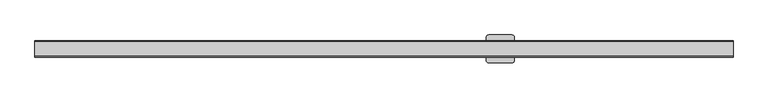
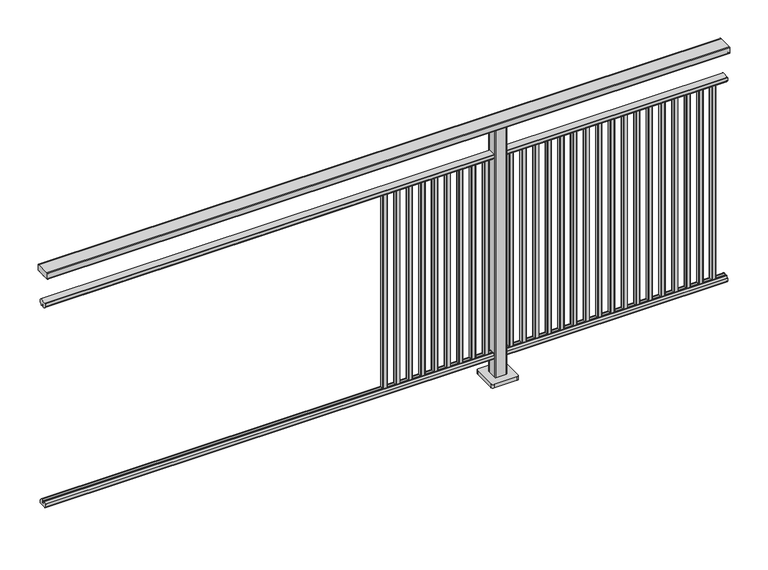
"""IFC4 building model written with IfcOpenShell, lengths in millimetres: railing geometry."""

from ifc_helpers import new_model, si_unit, point, frame, frame_2d, origin, origin_with_axes, place, context, project, spatial, polyline, circle_curve, trimmed, segment, composite_curve, outline, extrude, source, transform, mapped, element, save


def railing_3780677a(model_context):
    return source(origin(), model_context, "Body", "SweptSolid", [
        extrude(outline(composite_curve([segment(trimmed(circle_curve(frame_2d((9717.8460333, 1197.0)), 3.0), [point((9717.8460333, 1200.0))], [point((9720.8460333, 1197.0))], False, "CARTESIAN"), True, "CONTINUOUS"), segment(polyline([(9720.8460333, 1197.0), (9720.8460333, 1174.8)]), True, "CONTINUOUS"), segment(trimmed(circle_curve(frame_2d((9717.8460333, 1174.8)), 3.0), [point((9720.8460333, 1174.8))], [point((9717.8460333, 1171.8))], False, "CARTESIAN"), True, "CONTINUOUS"), segment(polyline([(9717.8460333, 1171.8), (9712.9961193, 1171.8)]), True, "CONTINUOUS"), segment(trimmed(circle_curve(frame_2d((9712.9961193, 1172.7286632)), 0.9286632), [point((9712.9961193, 1171.8))], [point((9712.0960471, 1172.5000033))], False, "CARTESIAN"), True, "CONTINUOUS"), segment(trimmed(circle_curve(frame_2d((9711.5960471, 1172.5000003)), 0.5), [point((9712.0960471, 1172.5000033))], [point((9711.5960471, 1172.0000003))], False, "CARTESIAN"), True, "CONTINUOUS"), segment(polyline([(9711.5960471, 1172.0000003), (9694.5751393, 1172.0000003)]), True, "CONTINUOUS"), segment(trimmed(circle_curve(frame_2d((9685.8508208, 1188.8785723)), 18.999998), [point((9694.5751393, 1172.0000003))], [point((9677.1265024, 1172.0000003))], False, "CARTESIAN"), True, "CONTINUOUS"), segment(polyline([(9677.1265024, 1172.0000003), (9660.0960436, 1172.0000003)]), True, "CONTINUOUS"), segment(trimmed(circle_curve(frame_2d((9660.0960436, 1172.5000003)), 0.5), [point((9660.0960436, 1172.0000003))], [point((9659.5960436, 1172.5000033))], False, "CARTESIAN"), True, "CONTINUOUS"), segment(trimmed(circle_curve(frame_2d((9658.6961402, 1172.7284461)), 0.9284461), [point((9659.5960436, 1172.5000033))], [point((9658.6961402, 1171.8))], False, "CARTESIAN"), True, "CONTINUOUS"), segment(polyline([(9658.6961402, 1171.8), (9653.8460333, 1171.8)]), True, "CONTINUOUS"), segment(trimmed(circle_curve(frame_2d((9653.8460333, 1174.8)), 3.0), [point((9653.8460333, 1171.8))], [point((9650.8460333, 1174.8))], False, "CARTESIAN"), True, "CONTINUOUS"), segment(polyline([(9650.8460333, 1174.8), (9650.8460333, 1197.0)]), True, "CONTINUOUS"), segment(trimmed(circle_curve(frame_2d((9653.8460333, 1197.0)), 3.0), [point((9650.8460333, 1197.0))], [point((9653.8460333, 1200.0))], False, "CARTESIAN"), True, "CONTINUOUS"), segment(polyline([(9653.8460333, 1200.0), (9717.8460333, 1200.0)]), True, "CONTINUOUS")], self_intersect=False)), frame((3691.3946925, 0.0, 0.0), z_axis=(1.0, 0.0, 0.0), x_axis=(0.0, 1.0, 0.0)), (0.0, 0.0, 1.0), 3000.0),
        extrude(outline(composite_curve([segment(polyline([(9701.5508136, 100.0), (9670.1507946, 100.0)]), True, "CONTINUOUS"), segment(trimmed(circle_curve(frame_2d((9670.1507946, 101.8)), 1.8), [point((9670.1507946, 100.0))], [point((9668.3507946, 101.8))], False, "CARTESIAN"), True, "CONTINUOUS"), segment(polyline([(9668.3507946, 101.8), (9668.3507946, 115.5269955)]), True, "CONTINUOUS"), segment(trimmed(circle_curve(frame_2d((9670.1507946, 115.5269955)), 1.8), [point((9668.3507946, 115.5269955))], [point((9668.7923399, 116.7079277))], False, "CARTESIAN"), True, "CONTINUOUS"), segment(polyline([(9668.7923399, 116.7079277), (9675.4626384, 124.3809322)]), True, "CONTINUOUS"), segment(trimmed(circle_curve(frame_2d((9676.8210931, 123.2)), 1.8), [point((9675.4626384, 124.3809322))], [point((9676.8210931, 125.0))], False, "CARTESIAN"), True, "CONTINUOUS"), segment(polyline([(9676.8210931, 125.0), (9680.5111113, 125.0), (9681.809143, 113.0), (9689.8924411, 113.0), (9691.1904978, 125.0), (9694.88054, 125.0)]), True, "CONTINUOUS"), segment(trimmed(circle_curve(frame_2d((9694.88054, 123.2)), 1.8), [point((9694.88054, 125.0))], [point((9696.2389969, 124.3809297))], False, "CARTESIAN"), True, "CONTINUOUS"), segment(polyline([(9696.2389969, 124.3809297), (9702.9092704, 116.7079252)]), True, "CONTINUOUS"), segment(trimmed(circle_curve(frame_2d((9701.5508136, 115.5269955)), 1.8), [point((9702.9092704, 116.7079252))], [point((9703.3508136, 115.5269955))], False, "CARTESIAN"), True, "CONTINUOUS"), segment(polyline([(9703.3508136, 115.5269955), (9703.3508136, 101.8)]), True, "CONTINUOUS"), segment(trimmed(circle_curve(frame_2d((9701.5508136, 101.8)), 1.8), [point((9703.3508136, 101.8))], [point((9701.5508136, 100.0))], False, "CARTESIAN"), True, "CONTINUOUS")], self_intersect=False)), frame((3691.3946925, 0.0, 0.0), z_axis=(1.0, 0.0, 0.0), x_axis=(0.0, 1.0, 0.0)), (0.0, 0.0, 1.0), 3000.0),
        extrude(outline(composite_curve([segment(polyline([(9670.1507946, 1050.0), (9701.5508136, 1050.0)]), True, "CONTINUOUS"), segment(trimmed(circle_curve(frame_2d((9701.5508136, 1048.2)), 1.8), [point((9701.5508136, 1050.0))], [point((9703.3508136, 1048.2))], False, "CARTESIAN"), True, "CONTINUOUS"), segment(polyline([(9703.3508136, 1048.2), (9703.3508136, 1034.4730045)]), True, "CONTINUOUS"), segment(trimmed(circle_curve(frame_2d((9701.5508136, 1034.4730045)), 1.8), [point((9703.3508136, 1034.4730045))], [point((9702.9092704, 1033.2920748))], False, "CARTESIAN"), True, "CONTINUOUS"), segment(polyline([(9702.9092704, 1033.2920748), (9696.2389969, 1025.6190703)]), True, "CONTINUOUS"), segment(trimmed(circle_curve(frame_2d((9694.88054, 1026.8)), 1.8), [point((9696.2389969, 1025.6190703))], [point((9694.88054, 1025.0))], False, "CARTESIAN"), True, "CONTINUOUS"), segment(polyline([(9694.88054, 1025.0), (9691.1904978, 1025.0), (9689.8924411, 1037.0), (9681.809143, 1037.0), (9680.5111113, 1025.0), (9676.8210931, 1025.0)]), True, "CONTINUOUS"), segment(trimmed(circle_curve(frame_2d((9676.8210931, 1026.8)), 1.8), [point((9676.8210931, 1025.0))], [point((9675.4626384, 1025.6190678))], False, "CARTESIAN"), True, "CONTINUOUS"), segment(polyline([(9675.4626384, 1025.6190678), (9668.7923399, 1033.2920723)]), True, "CONTINUOUS"), segment(trimmed(circle_curve(frame_2d((9670.1507946, 1034.4730045)), 1.8), [point((9668.7923399, 1033.2920723))], [point((9668.3507946, 1034.4730045))], False, "CARTESIAN"), True, "CONTINUOUS"), segment(polyline([(9668.3507946, 1034.4730045), (9668.3507946, 1048.2)]), True, "CONTINUOUS"), segment(trimmed(circle_curve(frame_2d((9670.1507946, 1048.2)), 1.8), [point((9668.3507946, 1048.2))], [point((9670.1507946, 1050.0))], False, "CARTESIAN"), True, "CONTINUOUS")], self_intersect=False)), frame((3691.3946925, 0.0, 0.0), z_axis=(1.0, 0.0, 0.0), x_axis=(0.0, 1.0, 0.0)), (0.0, 0.0, 1.0), 3000.0),
        extrude(outline(composite_curve([segment(trimmed(circle_curve(frame_2d((6628.2391355, 9693.4508236)), 1.4), [point((6626.8391355, 9693.4508236))], [point((6628.2391355, 9694.8508236))], False, "CARTESIAN"), True, "CONTINUOUS"), segment(polyline([(6628.2391355, 9694.8508236), (6643.4391385, 9694.8508236)]), True, "CONTINUOUS"), segment(trimmed(circle_curve(frame_2d((6643.4391385, 9693.4508236)), 1.4), [point((6643.4391385, 9694.8508236))], [point((6644.8391385, 9693.4508236))], False, "CARTESIAN"), True, "CONTINUOUS"), segment(polyline([(6644.8391385, 9693.4508236), (6644.8391385, 9678.2507846)]), True, "CONTINUOUS"), segment(trimmed(circle_curve(frame_2d((6643.4391385, 9678.2507846)), 1.4), [point((6644.8391385, 9678.2507846))], [point((6643.4391385, 9676.8507846))], False, "CARTESIAN"), True, "CONTINUOUS"), segment(polyline([(6643.4391385, 9676.8507846), (6628.2391355, 9676.8507846)]), True, "CONTINUOUS"), segment(trimmed(circle_curve(frame_2d((6628.2391355, 9678.2507846)), 1.4), [point((6628.2391355, 9676.8507846))], [point((6626.8391355, 9678.2507846))], False, "CARTESIAN"), True, "CONTINUOUS"), segment(polyline([(6626.8391355, 9678.2507846), (6626.8391355, 9693.4508236)]), True, "CONTINUOUS")], self_intersect=False)), frame((0.0, 0.0, 125.0), z_axis=(0.0, 0.0, 1.0), x_axis=(1.0, 0.0, 0.0)), (0.0, 0.0, 1.0), 900.0),
        extrude(outline(composite_curve([segment(trimmed(circle_curve(frame_2d((6572.6835799, 9693.4508236)), 1.4), [point((6571.2835799, 9693.4508236))], [point((6572.6835799, 9694.8508236))], False, "CARTESIAN"), True, "CONTINUOUS"), segment(polyline([(6572.6835799, 9694.8508236), (6587.8835829, 9694.8508236)]), True, "CONTINUOUS"), segment(trimmed(circle_curve(frame_2d((6587.8835829, 9693.4508236)), 1.4), [point((6587.8835829, 9694.8508236))], [point((6589.2835829, 9693.4508236))], False, "CARTESIAN"), True, "CONTINUOUS"), segment(polyline([(6589.2835829, 9693.4508236), (6589.2835829, 9678.2507846)]), True, "CONTINUOUS"), segment(trimmed(circle_curve(frame_2d((6587.8835829, 9678.2507846)), 1.4), [point((6589.2835829, 9678.2507846))], [point((6587.8835829, 9676.8507846))], False, "CARTESIAN"), True, "CONTINUOUS"), segment(polyline([(6587.8835829, 9676.8507846), (6572.6835799, 9676.8507846)]), True, "CONTINUOUS"), segment(trimmed(circle_curve(frame_2d((6572.6835799, 9678.2507846)), 1.4), [point((6572.6835799, 9676.8507846))], [point((6571.2835799, 9678.2507846))], False, "CARTESIAN"), True, "CONTINUOUS"), segment(polyline([(6571.2835799, 9678.2507846), (6571.2835799, 9693.4508236)]), True, "CONTINUOUS")], self_intersect=False)), frame((0.0, 0.0, 125.0), z_axis=(0.0, 0.0, 1.0), x_axis=(1.0, 0.0, 0.0)), (0.0, 0.0, 1.0), 900.0),
        extrude(outline(composite_curve([segment(trimmed(circle_curve(frame_2d((6517.1280244, 9693.4508236)), 1.4), [point((6515.7280244, 9693.4508236))], [point((6517.1280244, 9694.8508236))], False, "CARTESIAN"), True, "CONTINUOUS"), segment(polyline([(6517.1280244, 9694.8508236), (6532.3280274, 9694.8508236)]), True, "CONTINUOUS"), segment(trimmed(circle_curve(frame_2d((6532.3280274, 9693.4508236)), 1.4), [point((6532.3280274, 9694.8508236))], [point((6533.7280274, 9693.4508236))], False, "CARTESIAN"), True, "CONTINUOUS"), segment(polyline([(6533.7280274, 9693.4508236), (6533.7280274, 9678.2507846)]), True, "CONTINUOUS"), segment(trimmed(circle_curve(frame_2d((6532.3280274, 9678.2507846)), 1.4), [point((6533.7280274, 9678.2507846))], [point((6532.3280274, 9676.8507846))], False, "CARTESIAN"), True, "CONTINUOUS"), segment(polyline([(6532.3280274, 9676.8507846), (6517.1280244, 9676.8507846)]), True, "CONTINUOUS"), segment(trimmed(circle_curve(frame_2d((6517.1280244, 9678.2507846)), 1.4), [point((6517.1280244, 9676.8507846))], [point((6515.7280244, 9678.2507846))], False, "CARTESIAN"), True, "CONTINUOUS"), segment(polyline([(6515.7280244, 9678.2507846), (6515.7280244, 9693.4508236)]), True, "CONTINUOUS")], self_intersect=False)), frame((0.0, 0.0, 125.0), z_axis=(0.0, 0.0, 1.0), x_axis=(1.0, 0.0, 0.0)), (0.0, 0.0, 1.0), 900.0),
        extrude(outline(composite_curve([segment(trimmed(circle_curve(frame_2d((6461.5724688, 9693.4508236)), 1.4), [point((6460.1724688, 9693.4508236))], [point((6461.5724688, 9694.8508236))], False, "CARTESIAN"), True, "CONTINUOUS"), segment(polyline([(6461.5724688, 9694.8508236), (6476.7724718, 9694.8508236)]), True, "CONTINUOUS"), segment(trimmed(circle_curve(frame_2d((6476.7724718, 9693.4508236)), 1.4), [point((6476.7724718, 9694.8508236))], [point((6478.1724718, 9693.4508236))], False, "CARTESIAN"), True, "CONTINUOUS"), segment(polyline([(6478.1724718, 9693.4508236), (6478.1724718, 9678.2507846)]), True, "CONTINUOUS"), segment(trimmed(circle_curve(frame_2d((6476.7724718, 9678.2507846)), 1.4), [point((6478.1724718, 9678.2507846))], [point((6476.7724718, 9676.8507846))], False, "CARTESIAN"), True, "CONTINUOUS"), segment(polyline([(6476.7724718, 9676.8507846), (6461.5724688, 9676.8507846)]), True, "CONTINUOUS"), segment(trimmed(circle_curve(frame_2d((6461.5724688, 9678.2507846)), 1.4), [point((6461.5724688, 9676.8507846))], [point((6460.1724688, 9678.2507846))], False, "CARTESIAN"), True, "CONTINUOUS"), segment(polyline([(6460.1724688, 9678.2507846), (6460.1724688, 9693.4508236)]), True, "CONTINUOUS")], self_intersect=False)), frame((0.0, 0.0, 125.0), z_axis=(0.0, 0.0, 1.0), x_axis=(1.0, 0.0, 0.0)), (0.0, 0.0, 1.0), 900.0),
        extrude(outline(composite_curve([segment(trimmed(circle_curve(frame_2d((6406.0169133, 9693.4508236)), 1.4), [point((6404.6169133, 9693.4508236))], [point((6406.0169133, 9694.8508236))], False, "CARTESIAN"), True, "CONTINUOUS"), segment(polyline([(6406.0169133, 9694.8508236), (6421.2169163, 9694.8508236)]), True, "CONTINUOUS"), segment(trimmed(circle_curve(frame_2d((6421.2169163, 9693.4508236)), 1.4), [point((6421.2169163, 9694.8508236))], [point((6422.6169163, 9693.4508236))], False, "CARTESIAN"), True, "CONTINUOUS"), segment(polyline([(6422.6169163, 9693.4508236), (6422.6169163, 9678.2507846)]), True, "CONTINUOUS"), segment(trimmed(circle_curve(frame_2d((6421.2169163, 9678.2507846)), 1.4), [point((6422.6169163, 9678.2507846))], [point((6421.2169163, 9676.8507846))], False, "CARTESIAN"), True, "CONTINUOUS"), segment(polyline([(6421.2169163, 9676.8507846), (6406.0169133, 9676.8507846)]), True, "CONTINUOUS"), segment(trimmed(circle_curve(frame_2d((6406.0169133, 9678.2507846)), 1.4), [point((6406.0169133, 9676.8507846))], [point((6404.6169133, 9678.2507846))], False, "CARTESIAN"), True, "CONTINUOUS"), segment(polyline([(6404.6169133, 9678.2507846), (6404.6169133, 9693.4508236)]), True, "CONTINUOUS")], self_intersect=False)), frame((0.0, 0.0, 125.0), z_axis=(0.0, 0.0, 1.0), x_axis=(1.0, 0.0, 0.0)), (0.0, 0.0, 1.0), 900.0),
        extrude(outline(composite_curve([segment(trimmed(circle_curve(frame_2d((6350.4613577, 9693.4508236)), 1.4), [point((6349.0613577, 9693.4508236))], [point((6350.4613577, 9694.8508236))], False, "CARTESIAN"), True, "CONTINUOUS"), segment(polyline([(6350.4613577, 9694.8508236), (6365.6613607, 9694.8508236)]), True, "CONTINUOUS"), segment(trimmed(circle_curve(frame_2d((6365.6613607, 9693.4508236)), 1.4), [point((6365.6613607, 9694.8508236))], [point((6367.0613607, 9693.4508236))], False, "CARTESIAN"), True, "CONTINUOUS"), segment(polyline([(6367.0613607, 9693.4508236), (6367.0613607, 9678.2507846)]), True, "CONTINUOUS"), segment(trimmed(circle_curve(frame_2d((6365.6613607, 9678.2507846)), 1.4), [point((6367.0613607, 9678.2507846))], [point((6365.6613607, 9676.8507846))], False, "CARTESIAN"), True, "CONTINUOUS"), segment(polyline([(6365.6613607, 9676.8507846), (6350.4613577, 9676.8507846)]), True, "CONTINUOUS"), segment(trimmed(circle_curve(frame_2d((6350.4613577, 9678.2507846)), 1.4), [point((6350.4613577, 9676.8507846))], [point((6349.0613577, 9678.2507846))], False, "CARTESIAN"), True, "CONTINUOUS"), segment(polyline([(6349.0613577, 9678.2507846), (6349.0613577, 9693.4508236)]), True, "CONTINUOUS")], self_intersect=False)), frame((0.0, 0.0, 125.0), z_axis=(0.0, 0.0, 1.0), x_axis=(1.0, 0.0, 0.0)), (0.0, 0.0, 1.0), 900.0),
        extrude(outline(composite_curve([segment(trimmed(circle_curve(frame_2d((6294.9058021, 9693.4508236)), 1.4), [point((6293.5058021, 9693.4508236))], [point((6294.9058021, 9694.8508236))], False, "CARTESIAN"), True, "CONTINUOUS"), segment(polyline([(6294.9058021, 9694.8508236), (6310.1058051, 9694.8508236)]), True, "CONTINUOUS"), segment(trimmed(circle_curve(frame_2d((6310.1058051, 9693.4508236)), 1.4), [point((6310.1058051, 9694.8508236))], [point((6311.5058051, 9693.4508236))], False, "CARTESIAN"), True, "CONTINUOUS"), segment(polyline([(6311.5058051, 9693.4508236), (6311.5058051, 9678.2507846)]), True, "CONTINUOUS"), segment(trimmed(circle_curve(frame_2d((6310.1058051, 9678.2507846)), 1.4), [point((6311.5058051, 9678.2507846))], [point((6310.1058051, 9676.8507846))], False, "CARTESIAN"), True, "CONTINUOUS"), segment(polyline([(6310.1058051, 9676.8507846), (6294.9058021, 9676.8507846)]), True, "CONTINUOUS"), segment(trimmed(circle_curve(frame_2d((6294.9058021, 9678.2507846)), 1.4), [point((6294.9058021, 9676.8507846))], [point((6293.5058021, 9678.2507846))], False, "CARTESIAN"), True, "CONTINUOUS"), segment(polyline([(6293.5058021, 9678.2507846), (6293.5058021, 9693.4508236)]), True, "CONTINUOUS")], self_intersect=False)), frame((0.0, 0.0, 125.0), z_axis=(0.0, 0.0, 1.0), x_axis=(1.0, 0.0, 0.0)), (0.0, 0.0, 1.0), 900.0),
        extrude(outline(composite_curve([segment(trimmed(circle_curve(frame_2d((6239.3502466, 9693.4508236)), 1.4), [point((6237.9502466, 9693.4508236))], [point((6239.3502466, 9694.8508236))], False, "CARTESIAN"), True, "CONTINUOUS"), segment(polyline([(6239.3502466, 9694.8508236), (6254.5502496, 9694.8508236)]), True, "CONTINUOUS"), segment(trimmed(circle_curve(frame_2d((6254.5502496, 9693.4508236)), 1.4), [point((6254.5502496, 9694.8508236))], [point((6255.9502496, 9693.4508236))], False, "CARTESIAN"), True, "CONTINUOUS"), segment(polyline([(6255.9502496, 9693.4508236), (6255.9502496, 9678.2507846)]), True, "CONTINUOUS"), segment(trimmed(circle_curve(frame_2d((6254.5502496, 9678.2507846)), 1.4), [point((6255.9502496, 9678.2507846))], [point((6254.5502496, 9676.8507846))], False, "CARTESIAN"), True, "CONTINUOUS"), segment(polyline([(6254.5502496, 9676.8507846), (6239.3502466, 9676.8507846)]), True, "CONTINUOUS"), segment(trimmed(circle_curve(frame_2d((6239.3502466, 9678.2507846)), 1.4), [point((6239.3502466, 9676.8507846))], [point((6237.9502466, 9678.2507846))], False, "CARTESIAN"), True, "CONTINUOUS"), segment(polyline([(6237.9502466, 9678.2507846), (6237.9502466, 9693.4508236)]), True, "CONTINUOUS")], self_intersect=False)), frame((0.0, 0.0, 125.0), z_axis=(0.0, 0.0, 1.0), x_axis=(1.0, 0.0, 0.0)), (0.0, 0.0, 1.0), 900.0),
        extrude(outline(composite_curve([segment(trimmed(circle_curve(frame_2d((6183.794691, 9693.4508236)), 1.4), [point((6182.394691, 9693.4508236))], [point((6183.794691, 9694.8508236))], False, "CARTESIAN"), True, "CONTINUOUS"), segment(polyline([(6183.794691, 9694.8508236), (6198.994694, 9694.8508236)]), True, "CONTINUOUS"), segment(trimmed(circle_curve(frame_2d((6198.994694, 9693.4508236)), 1.4), [point((6198.994694, 9694.8508236))], [point((6200.394694, 9693.4508236))], False, "CARTESIAN"), True, "CONTINUOUS"), segment(polyline([(6200.394694, 9693.4508236), (6200.394694, 9678.2507846)]), True, "CONTINUOUS"), segment(trimmed(circle_curve(frame_2d((6198.994694, 9678.2507846)), 1.4), [point((6200.394694, 9678.2507846))], [point((6198.994694, 9676.8507846))], False, "CARTESIAN"), True, "CONTINUOUS"), segment(polyline([(6198.994694, 9676.8507846), (6183.794691, 9676.8507846)]), True, "CONTINUOUS"), segment(trimmed(circle_curve(frame_2d((6183.794691, 9678.2507846)), 1.4), [point((6183.794691, 9676.8507846))], [point((6182.394691, 9678.2507846))], False, "CARTESIAN"), True, "CONTINUOUS"), segment(polyline([(6182.394691, 9678.2507846), (6182.394691, 9693.4508236)]), True, "CONTINUOUS")], self_intersect=False)), frame((0.0, 0.0, 125.0), z_axis=(0.0, 0.0, 1.0), x_axis=(1.0, 0.0, 0.0)), (0.0, 0.0, 1.0), 900.0),
        extrude(outline(composite_curve([segment(trimmed(circle_curve(frame_2d((6128.2391355, 9693.4508236)), 1.4), [point((6126.8391355, 9693.4508236))], [point((6128.2391355, 9694.8508236))], False, "CARTESIAN"), True, "CONTINUOUS"), segment(polyline([(6128.2391355, 9694.8508236), (6143.4391385, 9694.8508236)]), True, "CONTINUOUS"), segment(trimmed(circle_curve(frame_2d((6143.4391385, 9693.4508236)), 1.4), [point((6143.4391385, 9694.8508236))], [point((6144.8391385, 9693.4508236))], False, "CARTESIAN"), True, "CONTINUOUS"), segment(polyline([(6144.8391385, 9693.4508236), (6144.8391385, 9678.2507846)]), True, "CONTINUOUS"), segment(trimmed(circle_curve(frame_2d((6143.4391385, 9678.2507846)), 1.4), [point((6144.8391385, 9678.2507846))], [point((6143.4391385, 9676.8507846))], False, "CARTESIAN"), True, "CONTINUOUS"), segment(polyline([(6143.4391385, 9676.8507846), (6128.2391355, 9676.8507846)]), True, "CONTINUOUS"), segment(trimmed(circle_curve(frame_2d((6128.2391355, 9678.2507846)), 1.4), [point((6128.2391355, 9676.8507846))], [point((6126.8391355, 9678.2507846))], False, "CARTESIAN"), True, "CONTINUOUS"), segment(polyline([(6126.8391355, 9678.2507846), (6126.8391355, 9693.4508236)]), True, "CONTINUOUS")], self_intersect=False)), frame((0.0, 0.0, 125.0), z_axis=(0.0, 0.0, 1.0), x_axis=(1.0, 0.0, 0.0)), (0.0, 0.0, 1.0), 900.0),
        extrude(outline(composite_curve([segment(trimmed(circle_curve(frame_2d((6072.6835799, 9693.4508236)), 1.4), [point((6071.2835799, 9693.4508236))], [point((6072.6835799, 9694.8508236))], False, "CARTESIAN"), True, "CONTINUOUS"), segment(polyline([(6072.6835799, 9694.8508236), (6087.8835829, 9694.8508236)]), True, "CONTINUOUS"), segment(trimmed(circle_curve(frame_2d((6087.8835829, 9693.4508236)), 1.4), [point((6087.8835829, 9694.8508236))], [point((6089.2835829, 9693.4508236))], False, "CARTESIAN"), True, "CONTINUOUS"), segment(polyline([(6089.2835829, 9693.4508236), (6089.2835829, 9678.2507846)]), True, "CONTINUOUS"), segment(trimmed(circle_curve(frame_2d((6087.8835829, 9678.2507846)), 1.4), [point((6089.2835829, 9678.2507846))], [point((6087.8835829, 9676.8507846))], False, "CARTESIAN"), True, "CONTINUOUS"), segment(polyline([(6087.8835829, 9676.8507846), (6072.6835799, 9676.8507846)]), True, "CONTINUOUS"), segment(trimmed(circle_curve(frame_2d((6072.6835799, 9678.2507846)), 1.4), [point((6072.6835799, 9676.8507846))], [point((6071.2835799, 9678.2507846))], False, "CARTESIAN"), True, "CONTINUOUS"), segment(polyline([(6071.2835799, 9678.2507846), (6071.2835799, 9693.4508236)]), True, "CONTINUOUS")], self_intersect=False)), frame((0.0, 0.0, 125.0), z_axis=(0.0, 0.0, 1.0), x_axis=(1.0, 0.0, 0.0)), (0.0, 0.0, 1.0), 900.0),
        extrude(outline(composite_curve([segment(trimmed(circle_curve(frame_2d((6017.1280244, 9693.4508236)), 1.4), [point((6015.7280244, 9693.4508236))], [point((6017.1280244, 9694.8508236))], False, "CARTESIAN"), True, "CONTINUOUS"), segment(polyline([(6017.1280244, 9694.8508236), (6032.3280274, 9694.8508236)]), True, "CONTINUOUS"), segment(trimmed(circle_curve(frame_2d((6032.3280274, 9693.4508236)), 1.4), [point((6032.3280274, 9694.8508236))], [point((6033.7280274, 9693.4508236))], False, "CARTESIAN"), True, "CONTINUOUS"), segment(polyline([(6033.7280274, 9693.4508236), (6033.7280274, 9678.2507846)]), True, "CONTINUOUS"), segment(trimmed(circle_curve(frame_2d((6032.3280274, 9678.2507846)), 1.4), [point((6033.7280274, 9678.2507846))], [point((6032.3280274, 9676.8507846))], False, "CARTESIAN"), True, "CONTINUOUS"), segment(polyline([(6032.3280274, 9676.8507846), (6017.1280244, 9676.8507846)]), True, "CONTINUOUS"), segment(trimmed(circle_curve(frame_2d((6017.1280244, 9678.2507846)), 1.4), [point((6017.1280244, 9676.8507846))], [point((6015.7280244, 9678.2507846))], False, "CARTESIAN"), True, "CONTINUOUS"), segment(polyline([(6015.7280244, 9678.2507846), (6015.7280244, 9693.4508236)]), True, "CONTINUOUS")], self_intersect=False)), frame((0.0, 0.0, 125.0), z_axis=(0.0, 0.0, 1.0), x_axis=(1.0, 0.0, 0.0)), (0.0, 0.0, 1.0), 900.0),
        extrude(outline(composite_curve([segment(trimmed(circle_curve(frame_2d((5961.5724688, 9693.4508236)), 1.4), [point((5960.1724688, 9693.4508236))], [point((5961.5724688, 9694.8508236))], False, "CARTESIAN"), True, "CONTINUOUS"), segment(polyline([(5961.5724688, 9694.8508236), (5976.7724718, 9694.8508236)]), True, "CONTINUOUS"), segment(trimmed(circle_curve(frame_2d((5976.7724718, 9693.4508236)), 1.4), [point((5976.7724718, 9694.8508236))], [point((5978.1724718, 9693.4508236))], False, "CARTESIAN"), True, "CONTINUOUS"), segment(polyline([(5978.1724718, 9693.4508236), (5978.1724718, 9678.2507846)]), True, "CONTINUOUS"), segment(trimmed(circle_curve(frame_2d((5976.7724718, 9678.2507846)), 1.4), [point((5978.1724718, 9678.2507846))], [point((5976.7724718, 9676.8507846))], False, "CARTESIAN"), True, "CONTINUOUS"), segment(polyline([(5976.7724718, 9676.8507846), (5961.5724688, 9676.8507846)]), True, "CONTINUOUS"), segment(trimmed(circle_curve(frame_2d((5961.5724688, 9678.2507846)), 1.4), [point((5961.5724688, 9676.8507846))], [point((5960.1724688, 9678.2507846))], False, "CARTESIAN"), True, "CONTINUOUS"), segment(polyline([(5960.1724688, 9678.2507846), (5960.1724688, 9693.4508236)]), True, "CONTINUOUS")], self_intersect=False)), frame((0.0, 0.0, 125.0), z_axis=(0.0, 0.0, 1.0), x_axis=(1.0, 0.0, 0.0)), (0.0, 0.0, 1.0), 900.0),
        extrude(outline(composite_curve([segment(trimmed(circle_curve(frame_2d((5906.0169133, 9693.4508236)), 1.4), [point((5904.6169133, 9693.4508236))], [point((5906.0169133, 9694.8508236))], False, "CARTESIAN"), True, "CONTINUOUS"), segment(polyline([(5906.0169133, 9694.8508236), (5921.2169163, 9694.8508236)]), True, "CONTINUOUS"), segment(trimmed(circle_curve(frame_2d((5921.2169163, 9693.4508236)), 1.4), [point((5921.2169163, 9694.8508236))], [point((5922.6169163, 9693.4508236))], False, "CARTESIAN"), True, "CONTINUOUS"), segment(polyline([(5922.6169163, 9693.4508236), (5922.6169163, 9678.2507846)]), True, "CONTINUOUS"), segment(trimmed(circle_curve(frame_2d((5921.2169163, 9678.2507846)), 1.4), [point((5922.6169163, 9678.2507846))], [point((5921.2169163, 9676.8507846))], False, "CARTESIAN"), True, "CONTINUOUS"), segment(polyline([(5921.2169163, 9676.8507846), (5906.0169133, 9676.8507846)]), True, "CONTINUOUS"), segment(trimmed(circle_curve(frame_2d((5906.0169133, 9678.2507846)), 1.4), [point((5906.0169133, 9676.8507846))], [point((5904.6169133, 9678.2507846))], False, "CARTESIAN"), True, "CONTINUOUS"), segment(polyline([(5904.6169133, 9678.2507846), (5904.6169133, 9693.4508236)]), True, "CONTINUOUS")], self_intersect=False)), frame((0.0, 0.0, 125.0), z_axis=(0.0, 0.0, 1.0), x_axis=(1.0, 0.0, 0.0)), (0.0, 0.0, 1.0), 900.0),
        extrude(outline(composite_curve([segment(trimmed(circle_curve(frame_2d((5850.4613577, 9693.4508236)), 1.4), [point((5849.0613577, 9693.4508236))], [point((5850.4613577, 9694.8508236))], False, "CARTESIAN"), True, "CONTINUOUS"), segment(polyline([(5850.4613577, 9694.8508236), (5865.6613607, 9694.8508236)]), True, "CONTINUOUS"), segment(trimmed(circle_curve(frame_2d((5865.6613607, 9693.4508236)), 1.4), [point((5865.6613607, 9694.8508236))], [point((5867.0613607, 9693.4508236))], False, "CARTESIAN"), True, "CONTINUOUS"), segment(polyline([(5867.0613607, 9693.4508236), (5867.0613607, 9678.2507846)]), True, "CONTINUOUS"), segment(trimmed(circle_curve(frame_2d((5865.6613607, 9678.2507846)), 1.4), [point((5867.0613607, 9678.2507846))], [point((5865.6613607, 9676.8507846))], False, "CARTESIAN"), True, "CONTINUOUS"), segment(polyline([(5865.6613607, 9676.8507846), (5850.4613577, 9676.8507846)]), True, "CONTINUOUS"), segment(trimmed(circle_curve(frame_2d((5850.4613577, 9678.2507846)), 1.4), [point((5850.4613577, 9676.8507846))], [point((5849.0613577, 9678.2507846))], False, "CARTESIAN"), True, "CONTINUOUS"), segment(polyline([(5849.0613577, 9678.2507846), (5849.0613577, 9693.4508236)]), True, "CONTINUOUS")], self_intersect=False)), frame((0.0, 0.0, 125.0), z_axis=(0.0, 0.0, 1.0), x_axis=(1.0, 0.0, 0.0)), (0.0, 0.0, 1.0), 900.0),
        extrude(outline(composite_curve([segment(trimmed(circle_curve(frame_2d((5794.9058021, 9693.4508236)), 1.4), [point((5793.5058021, 9693.4508236))], [point((5794.9058021, 9694.8508236))], False, "CARTESIAN"), True, "CONTINUOUS"), segment(polyline([(5794.9058021, 9694.8508236), (5810.1058051, 9694.8508236)]), True, "CONTINUOUS"), segment(trimmed(circle_curve(frame_2d((5810.1058051, 9693.4508236)), 1.4), [point((5810.1058051, 9694.8508236))], [point((5811.5058051, 9693.4508236))], False, "CARTESIAN"), True, "CONTINUOUS"), segment(polyline([(5811.5058051, 9693.4508236), (5811.5058051, 9678.2507846)]), True, "CONTINUOUS"), segment(trimmed(circle_curve(frame_2d((5810.1058051, 9678.2507846)), 1.4), [point((5811.5058051, 9678.2507846))], [point((5810.1058051, 9676.8507846))], False, "CARTESIAN"), True, "CONTINUOUS"), segment(polyline([(5810.1058051, 9676.8507846), (5794.9058021, 9676.8507846)]), True, "CONTINUOUS"), segment(trimmed(circle_curve(frame_2d((5794.9058021, 9678.2507846)), 1.4), [point((5794.9058021, 9676.8507846))], [point((5793.5058021, 9678.2507846))], False, "CARTESIAN"), True, "CONTINUOUS"), segment(polyline([(5793.5058021, 9678.2507846), (5793.5058021, 9693.4508236)]), True, "CONTINUOUS")], self_intersect=False)), frame((0.0, 0.0, 125.0), z_axis=(0.0, 0.0, 1.0), x_axis=(1.0, 0.0, 0.0)), (0.0, 0.0, 1.0), 900.0),
        extrude(outline(composite_curve([segment(trimmed(circle_curve(frame_2d((5739.3502466, 9693.4508236)), 1.4), [point((5737.9502466, 9693.4508236))], [point((5739.3502466, 9694.8508236))], False, "CARTESIAN"), True, "CONTINUOUS"), segment(polyline([(5739.3502466, 9694.8508236), (5754.5502496, 9694.8508236)]), True, "CONTINUOUS"), segment(trimmed(circle_curve(frame_2d((5754.5502496, 9693.4508236)), 1.4), [point((5754.5502496, 9694.8508236))], [point((5755.9502496, 9693.4508236))], False, "CARTESIAN"), True, "CONTINUOUS"), segment(polyline([(5755.9502496, 9693.4508236), (5755.9502496, 9678.2507846)]), True, "CONTINUOUS"), segment(trimmed(circle_curve(frame_2d((5754.5502496, 9678.2507846)), 1.4), [point((5755.9502496, 9678.2507846))], [point((5754.5502496, 9676.8507846))], False, "CARTESIAN"), True, "CONTINUOUS"), segment(polyline([(5754.5502496, 9676.8507846), (5739.3502466, 9676.8507846)]), True, "CONTINUOUS"), segment(trimmed(circle_curve(frame_2d((5739.3502466, 9678.2507846)), 1.4), [point((5739.3502466, 9676.8507846))], [point((5737.9502466, 9678.2507846))], False, "CARTESIAN"), True, "CONTINUOUS"), segment(polyline([(5737.9502466, 9678.2507846), (5737.9502466, 9693.4508236)]), True, "CONTINUOUS")], self_intersect=False)), frame((0.0, 0.0, 125.0), z_axis=(0.0, 0.0, 1.0), x_axis=(1.0, 0.0, 0.0)), (0.0, 0.0, 1.0), 900.0),
        extrude(outline(composite_curve([segment(trimmed(circle_curve(frame_2d((5668.994681, 9708.2508266)), 3.0), [point((5665.994681, 9708.2508266))], [point((5668.994681, 9711.2508266))], False, "CARTESIAN"), True, "CONTINUOUS"), segment(polyline([(5668.994681, 9711.2508266), (5713.794704, 9711.2508266)]), True, "CONTINUOUS"), segment(trimmed(circle_curve(frame_2d((5713.794704, 9708.2508266)), 3.0), [point((5713.794704, 9711.2508266))], [point((5716.794704, 9708.2508266))], False, "CARTESIAN"), True, "CONTINUOUS"), segment(polyline([(5716.794704, 9708.2508266), (5716.794704, 9663.4508036)]), True, "CONTINUOUS"), segment(trimmed(circle_curve(frame_2d((5713.794704, 9663.4508036)), 3.0), [point((5716.794704, 9663.4508036))], [point((5713.794704, 9660.4508036))], False, "CARTESIAN"), True, "CONTINUOUS"), segment(polyline([(5713.794704, 9660.4508036), (5668.994681, 9660.4508036)]), True, "CONTINUOUS"), segment(trimmed(circle_curve(frame_2d((5668.994681, 9663.4508036)), 3.0), [point((5668.994681, 9660.4508036))], [point((5665.994681, 9663.4508036))], False, "CARTESIAN"), True, "CONTINUOUS"), segment(polyline([(5665.994681, 9663.4508036), (5665.994681, 9708.2508266)]), True, "CONTINUOUS")], self_intersect=False)), frame((0.0, 0.0, 16.0), z_axis=(0.0, 0.0, 1.0), x_axis=(1.0, 0.0, 0.0)), (0.0, 0.0, 1.0), 1153.8785743),
        extrude(outline(composite_curve([segment(trimmed(circle_curve(frame_2d((5641.394681, 9735.8508151)), 10.0), [point((5631.394681, 9735.8508151))], [point((5641.394681, 9745.8508151))], False, "CARTESIAN"), True, "CONTINUOUS"), segment(polyline([(5641.394681, 9745.8508151), (5741.394681, 9745.8508151)]), True, "CONTINUOUS"), segment(trimmed(circle_curve(frame_2d((5741.394681, 9735.8508151)), 10.0), [point((5741.394681, 9745.8508151))], [point((5751.394681, 9735.8508151))], False, "CARTESIAN"), True, "CONTINUOUS"), segment(polyline([(5751.394681, 9735.8508151), (5751.394681, 9635.8508151)]), True, "CONTINUOUS"), segment(trimmed(circle_curve(frame_2d((5741.394681, 9635.8508151)), 10.0), [point((5751.394681, 9635.8508151))], [point((5741.394681, 9625.8508151))], False, "CARTESIAN"), True, "CONTINUOUS"), segment(polyline([(5741.394681, 9625.8508151), (5641.394681, 9625.8508151)]), True, "CONTINUOUS"), segment(trimmed(circle_curve(frame_2d((5641.394681, 9635.8508151)), 10.0), [point((5641.394681, 9625.8508151))], [point((5631.394681, 9635.8508151))], False, "CARTESIAN"), True, "CONTINUOUS"), segment(polyline([(5631.394681, 9635.8508151), (5631.394681, 9735.8508151)]), True, "CONTINUOUS")], self_intersect=False)), origin_with_axes(), (0.0, 0.0, 1.0), 16.0),
        extrude(outline(composite_curve([segment(trimmed(circle_curve(frame_2d((5628.2391355, 9693.4508236)), 1.4), [point((5626.8391355, 9693.4508236))], [point((5628.2391355, 9694.8508236))], False, "CARTESIAN"), True, "CONTINUOUS"), segment(polyline([(5628.2391355, 9694.8508236), (5643.4391385, 9694.8508236)]), True, "CONTINUOUS"), segment(trimmed(circle_curve(frame_2d((5643.4391385, 9693.4508236)), 1.4), [point((5643.4391385, 9694.8508236))], [point((5644.8391385, 9693.4508236))], False, "CARTESIAN"), True, "CONTINUOUS"), segment(polyline([(5644.8391385, 9693.4508236), (5644.8391385, 9678.2507846)]), True, "CONTINUOUS"), segment(trimmed(circle_curve(frame_2d((5643.4391385, 9678.2507846)), 1.4), [point((5644.8391385, 9678.2507846))], [point((5643.4391385, 9676.8507846))], False, "CARTESIAN"), True, "CONTINUOUS"), segment(polyline([(5643.4391385, 9676.8507846), (5628.2391355, 9676.8507846)]), True, "CONTINUOUS"), segment(trimmed(circle_curve(frame_2d((5628.2391355, 9678.2507846)), 1.4), [point((5628.2391355, 9676.8507846))], [point((5626.8391355, 9678.2507846))], False, "CARTESIAN"), True, "CONTINUOUS"), segment(polyline([(5626.8391355, 9678.2507846), (5626.8391355, 9693.4508236)]), True, "CONTINUOUS")], self_intersect=False)), frame((0.0, 0.0, 125.0), z_axis=(0.0, 0.0, 1.0), x_axis=(1.0, 0.0, 0.0)), (0.0, 0.0, 1.0), 900.0),
        extrude(outline(composite_curve([segment(trimmed(circle_curve(frame_2d((5572.6835799, 9693.4508236)), 1.4), [point((5571.2835799, 9693.4508236))], [point((5572.6835799, 9694.8508236))], False, "CARTESIAN"), True, "CONTINUOUS"), segment(polyline([(5572.6835799, 9694.8508236), (5587.8835829, 9694.8508236)]), True, "CONTINUOUS"), segment(trimmed(circle_curve(frame_2d((5587.8835829, 9693.4508236)), 1.4), [point((5587.8835829, 9694.8508236))], [point((5589.2835829, 9693.4508236))], False, "CARTESIAN"), True, "CONTINUOUS"), segment(polyline([(5589.2835829, 9693.4508236), (5589.2835829, 9678.2507846)]), True, "CONTINUOUS"), segment(trimmed(circle_curve(frame_2d((5587.8835829, 9678.2507846)), 1.4), [point((5589.2835829, 9678.2507846))], [point((5587.8835829, 9676.8507846))], False, "CARTESIAN"), True, "CONTINUOUS"), segment(polyline([(5587.8835829, 9676.8507846), (5572.6835799, 9676.8507846)]), True, "CONTINUOUS"), segment(trimmed(circle_curve(frame_2d((5572.6835799, 9678.2507846)), 1.4), [point((5572.6835799, 9676.8507846))], [point((5571.2835799, 9678.2507846))], False, "CARTESIAN"), True, "CONTINUOUS"), segment(polyline([(5571.2835799, 9678.2507846), (5571.2835799, 9693.4508236)]), True, "CONTINUOUS")], self_intersect=False)), frame((0.0, 0.0, 125.0), z_axis=(0.0, 0.0, 1.0), x_axis=(1.0, 0.0, 0.0)), (0.0, 0.0, 1.0), 900.0),
        extrude(outline(composite_curve([segment(trimmed(circle_curve(frame_2d((5517.1280244, 9693.4508236)), 1.4), [point((5515.7280244, 9693.4508236))], [point((5517.1280244, 9694.8508236))], False, "CARTESIAN"), True, "CONTINUOUS"), segment(polyline([(5517.1280244, 9694.8508236), (5532.3280274, 9694.8508236)]), True, "CONTINUOUS"), segment(trimmed(circle_curve(frame_2d((5532.3280274, 9693.4508236)), 1.4), [point((5532.3280274, 9694.8508236))], [point((5533.7280274, 9693.4508236))], False, "CARTESIAN"), True, "CONTINUOUS"), segment(polyline([(5533.7280274, 9693.4508236), (5533.7280274, 9678.2507846)]), True, "CONTINUOUS"), segment(trimmed(circle_curve(frame_2d((5532.3280274, 9678.2507846)), 1.4), [point((5533.7280274, 9678.2507846))], [point((5532.3280274, 9676.8507846))], False, "CARTESIAN"), True, "CONTINUOUS"), segment(polyline([(5532.3280274, 9676.8507846), (5517.1280244, 9676.8507846)]), True, "CONTINUOUS"), segment(trimmed(circle_curve(frame_2d((5517.1280244, 9678.2507846)), 1.4), [point((5517.1280244, 9676.8507846))], [point((5515.7280244, 9678.2507846))], False, "CARTESIAN"), True, "CONTINUOUS"), segment(polyline([(5515.7280244, 9678.2507846), (5515.7280244, 9693.4508236)]), True, "CONTINUOUS")], self_intersect=False)), frame((0.0, 0.0, 125.0), z_axis=(0.0, 0.0, 1.0), x_axis=(1.0, 0.0, 0.0)), (0.0, 0.0, 1.0), 900.0),
        extrude(outline(composite_curve([segment(trimmed(circle_curve(frame_2d((5461.5724688, 9693.4508236)), 1.4), [point((5460.1724688, 9693.4508236))], [point((5461.5724688, 9694.8508236))], False, "CARTESIAN"), True, "CONTINUOUS"), segment(polyline([(5461.5724688, 9694.8508236), (5476.7724718, 9694.8508236)]), True, "CONTINUOUS"), segment(trimmed(circle_curve(frame_2d((5476.7724718, 9693.4508236)), 1.4), [point((5476.7724718, 9694.8508236))], [point((5478.1724718, 9693.4508236))], False, "CARTESIAN"), True, "CONTINUOUS"), segment(polyline([(5478.1724718, 9693.4508236), (5478.1724718, 9678.2507846)]), True, "CONTINUOUS"), segment(trimmed(circle_curve(frame_2d((5476.7724718, 9678.2507846)), 1.4), [point((5478.1724718, 9678.2507846))], [point((5476.7724718, 9676.8507846))], False, "CARTESIAN"), True, "CONTINUOUS"), segment(polyline([(5476.7724718, 9676.8507846), (5461.5724688, 9676.8507846)]), True, "CONTINUOUS"), segment(trimmed(circle_curve(frame_2d((5461.5724688, 9678.2507846)), 1.4), [point((5461.5724688, 9676.8507846))], [point((5460.1724688, 9678.2507846))], False, "CARTESIAN"), True, "CONTINUOUS"), segment(polyline([(5460.1724688, 9678.2507846), (5460.1724688, 9693.4508236)]), True, "CONTINUOUS")], self_intersect=False)), frame((0.0, 0.0, 125.0), z_axis=(0.0, 0.0, 1.0), x_axis=(1.0, 0.0, 0.0)), (0.0, 0.0, 1.0), 900.0),
        extrude(outline(composite_curve([segment(trimmed(circle_curve(frame_2d((5406.0169133, 9693.4508236)), 1.4), [point((5404.6169133, 9693.4508236))], [point((5406.0169133, 9694.8508236))], False, "CARTESIAN"), True, "CONTINUOUS"), segment(polyline([(5406.0169133, 9694.8508236), (5421.2169163, 9694.8508236)]), True, "CONTINUOUS"), segment(trimmed(circle_curve(frame_2d((5421.2169163, 9693.4508236)), 1.4), [point((5421.2169163, 9694.8508236))], [point((5422.6169163, 9693.4508236))], False, "CARTESIAN"), True, "CONTINUOUS"), segment(polyline([(5422.6169163, 9693.4508236), (5422.6169163, 9678.2507846)]), True, "CONTINUOUS"), segment(trimmed(circle_curve(frame_2d((5421.2169163, 9678.2507846)), 1.4), [point((5422.6169163, 9678.2507846))], [point((5421.2169163, 9676.8507846))], False, "CARTESIAN"), True, "CONTINUOUS"), segment(polyline([(5421.2169163, 9676.8507846), (5406.0169133, 9676.8507846)]), True, "CONTINUOUS"), segment(trimmed(circle_curve(frame_2d((5406.0169133, 9678.2507846)), 1.4), [point((5406.0169133, 9676.8507846))], [point((5404.6169133, 9678.2507846))], False, "CARTESIAN"), True, "CONTINUOUS"), segment(polyline([(5404.6169133, 9678.2507846), (5404.6169133, 9693.4508236)]), True, "CONTINUOUS")], self_intersect=False)), frame((0.0, 0.0, 125.0), z_axis=(0.0, 0.0, 1.0), x_axis=(1.0, 0.0, 0.0)), (0.0, 0.0, 1.0), 900.0),
        extrude(outline(composite_curve([segment(trimmed(circle_curve(frame_2d((5350.4613577, 9693.4508236)), 1.4), [point((5349.0613577, 9693.4508236))], [point((5350.4613577, 9694.8508236))], False, "CARTESIAN"), True, "CONTINUOUS"), segment(polyline([(5350.4613577, 9694.8508236), (5365.6613607, 9694.8508236)]), True, "CONTINUOUS"), segment(trimmed(circle_curve(frame_2d((5365.6613607, 9693.4508236)), 1.4), [point((5365.6613607, 9694.8508236))], [point((5367.0613607, 9693.4508236))], False, "CARTESIAN"), True, "CONTINUOUS"), segment(polyline([(5367.0613607, 9693.4508236), (5367.0613607, 9678.2507846)]), True, "CONTINUOUS"), segment(trimmed(circle_curve(frame_2d((5365.6613607, 9678.2507846)), 1.4), [point((5367.0613607, 9678.2507846))], [point((5365.6613607, 9676.8507846))], False, "CARTESIAN"), True, "CONTINUOUS"), segment(polyline([(5365.6613607, 9676.8507846), (5350.4613577, 9676.8507846)]), True, "CONTINUOUS"), segment(trimmed(circle_curve(frame_2d((5350.4613577, 9678.2507846)), 1.4), [point((5350.4613577, 9676.8507846))], [point((5349.0613577, 9678.2507846))], False, "CARTESIAN"), True, "CONTINUOUS"), segment(polyline([(5349.0613577, 9678.2507846), (5349.0613577, 9693.4508236)]), True, "CONTINUOUS")], self_intersect=False)), frame((0.0, 0.0, 125.0), z_axis=(0.0, 0.0, 1.0), x_axis=(1.0, 0.0, 0.0)), (0.0, 0.0, 1.0), 900.0),
        extrude(outline(composite_curve([segment(trimmed(circle_curve(frame_2d((5294.9058021, 9693.4508236)), 1.4), [point((5293.5058021, 9693.4508236))], [point((5294.9058021, 9694.8508236))], False, "CARTESIAN"), True, "CONTINUOUS"), segment(polyline([(5294.9058021, 9694.8508236), (5310.1058051, 9694.8508236)]), True, "CONTINUOUS"), segment(trimmed(circle_curve(frame_2d((5310.1058051, 9693.4508236)), 1.4), [point((5310.1058051, 9694.8508236))], [point((5311.5058051, 9693.4508236))], False, "CARTESIAN"), True, "CONTINUOUS"), segment(polyline([(5311.5058051, 9693.4508236), (5311.5058051, 9678.2507846)]), True, "CONTINUOUS"), segment(trimmed(circle_curve(frame_2d((5310.1058051, 9678.2507846)), 1.4), [point((5311.5058051, 9678.2507846))], [point((5310.1058051, 9676.8507846))], False, "CARTESIAN"), True, "CONTINUOUS"), segment(polyline([(5310.1058051, 9676.8507846), (5294.9058021, 9676.8507846)]), True, "CONTINUOUS"), segment(trimmed(circle_curve(frame_2d((5294.9058021, 9678.2507846)), 1.4), [point((5294.9058021, 9676.8507846))], [point((5293.5058021, 9678.2507846))], False, "CARTESIAN"), True, "CONTINUOUS"), segment(polyline([(5293.5058021, 9678.2507846), (5293.5058021, 9693.4508236)]), True, "CONTINUOUS")], self_intersect=False)), frame((0.0, 0.0, 125.0), z_axis=(0.0, 0.0, 1.0), x_axis=(1.0, 0.0, 0.0)), (0.0, 0.0, 1.0), 900.0),
        extrude(outline(composite_curve([segment(trimmed(circle_curve(frame_2d((5239.3502466, 9693.4508236)), 1.4), [point((5237.9502466, 9693.4508236))], [point((5239.3502466, 9694.8508236))], False, "CARTESIAN"), True, "CONTINUOUS"), segment(polyline([(5239.3502466, 9694.8508236), (5254.5502496, 9694.8508236)]), True, "CONTINUOUS"), segment(trimmed(circle_curve(frame_2d((5254.5502496, 9693.4508236)), 1.4), [point((5254.5502496, 9694.8508236))], [point((5255.9502496, 9693.4508236))], False, "CARTESIAN"), True, "CONTINUOUS"), segment(polyline([(5255.9502496, 9693.4508236), (5255.9502496, 9678.2507846)]), True, "CONTINUOUS"), segment(trimmed(circle_curve(frame_2d((5254.5502496, 9678.2507846)), 1.4), [point((5255.9502496, 9678.2507846))], [point((5254.5502496, 9676.8507846))], False, "CARTESIAN"), True, "CONTINUOUS"), segment(polyline([(5254.5502496, 9676.8507846), (5239.3502466, 9676.8507846)]), True, "CONTINUOUS"), segment(trimmed(circle_curve(frame_2d((5239.3502466, 9678.2507846)), 1.4), [point((5239.3502466, 9676.8507846))], [point((5237.9502466, 9678.2507846))], False, "CARTESIAN"), True, "CONTINUOUS"), segment(polyline([(5237.9502466, 9678.2507846), (5237.9502466, 9693.4508236)]), True, "CONTINUOUS")], self_intersect=False)), frame((0.0, 0.0, 125.0), z_axis=(0.0, 0.0, 1.0), x_axis=(1.0, 0.0, 0.0)), (0.0, 0.0, 1.0), 900.0),
        extrude(outline(composite_curve([segment(trimmed(circle_curve(frame_2d((5183.794691, 9693.4508236)), 1.4), [point((5182.394691, 9693.4508236))], [point((5183.794691, 9694.8508236))], False, "CARTESIAN"), True, "CONTINUOUS"), segment(polyline([(5183.794691, 9694.8508236), (5198.994694, 9694.8508236)]), True, "CONTINUOUS"), segment(trimmed(circle_curve(frame_2d((5198.994694, 9693.4508236)), 1.4), [point((5198.994694, 9694.8508236))], [point((5200.394694, 9693.4508236))], False, "CARTESIAN"), True, "CONTINUOUS"), segment(polyline([(5200.394694, 9693.4508236), (5200.394694, 9678.2507846)]), True, "CONTINUOUS"), segment(trimmed(circle_curve(frame_2d((5198.994694, 9678.2507846)), 1.4), [point((5200.394694, 9678.2507846))], [point((5198.994694, 9676.8507846))], False, "CARTESIAN"), True, "CONTINUOUS"), segment(polyline([(5198.994694, 9676.8507846), (5183.794691, 9676.8507846)]), True, "CONTINUOUS"), segment(trimmed(circle_curve(frame_2d((5183.794691, 9678.2507846)), 1.4), [point((5183.794691, 9676.8507846))], [point((5182.394691, 9678.2507846))], False, "CARTESIAN"), True, "CONTINUOUS"), segment(polyline([(5182.394691, 9678.2507846), (5182.394691, 9693.4508236)]), True, "CONTINUOUS")], self_intersect=False)), frame((0.0, 0.0, 125.0), z_axis=(0.0, 0.0, 1.0), x_axis=(1.0, 0.0, 0.0)), (0.0, 0.0, 1.0), 900.0),
    ])


if __name__ == "__main__":
    model = new_model("IFC4")
    model_context = context("Model", 3, world=origin())
    ifc_project = project(units=[si_unit("LENGTHUNIT", "METRE", prefix="MILLI")], contexts=[model_context])
    site = spatial("IfcSite", under=ifc_project)
    building = spatial("IfcBuilding", under=site)
    placement = place(None, origin())
    railing_shape = railing_3780677a(model_context)
    element("IfcRailing", 1, at=placement, inside=building, context=model_context, shape_type="MappedRepresentation", body=[
        mapped(railing_shape, transform((0.0, 0.0, 0.0), x_axis=(1.0, 0.0, 0.0), y_axis=(0.0, 1.0, 0.0), z_axis=(0.0, 0.0, 1.0))),
    ])
    save(model, "model.ifc")
